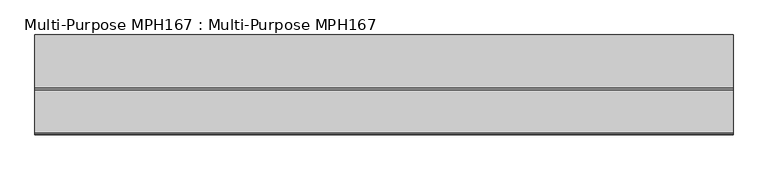
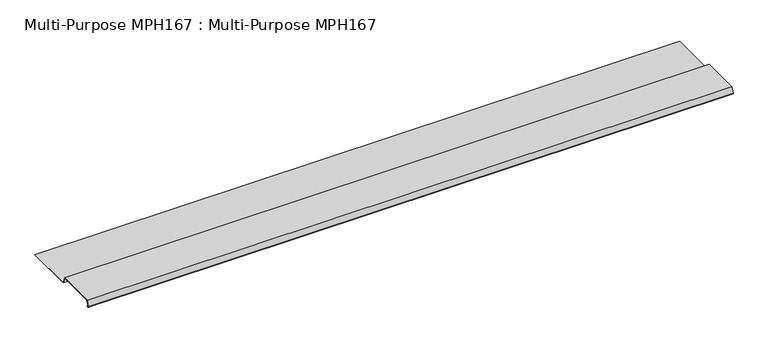
"""IFC4 building model written with IfcOpenShell, lengths in millimetres: proxy geometry, Multi-Purpose MPH167 : Multi-Purpose MPH167."""

from ifc_helpers import new_model, si_unit, point, frame, frame_2d, origin, place, context, project, spatial, polyline, circle_curve, trimmed, segment, composite_curve, outline, extrude, source, transform, mapped, element, save


def multi_purpose_mph167_multi_purpose_mph167_b23ed097(model_context):
    return source(origin(), model_context, "Body", "SweptSolid", [
        extrude(outline(composite_curve([segment(polyline([(-269.6477604, 114.72688), (-270.182075, 114.1143837), (-271.0631795, 114.8830201)]), True, "CONTINUOUS"), segment(trimmed(circle_curve(frame_2d((-272.361397, 113.3948454)), 1.97485), [point((-271.0631795, 114.8830201))], [point((-273.4511522, 115.0418021))], True, "CARTESIAN"), True, "CONTINUOUS"), segment(polyline([(-273.4511522, 115.0418021), (-276.2543835, 113.1869652)]), True, "CONTINUOUS"), segment(trimmed(circle_curve(frame_2d((-277.568397, 115.1728454)), 2.38125), [point((-276.2543835, 113.1869652))], [point((-279.8060401, 115.9872809))], False, "CARTESIAN"), True, "CONTINUOUS"), segment(polyline([(-279.8060401, 115.9872809), (-269.7089545, 143.7287954), (-85.5589545, 143.7287954), (-74.2987346, 112.7915954), (156.930353, 112.7915954), (156.930353, 111.9787954), (-74.8678633, 111.9787954), (-86.1280832, 142.9159954), (-269.1398258, 142.9159954), (-279.0422579, 115.7092869)]), True, "CONTINUOUS"), segment(trimmed(circle_curve(frame_2d((-277.568397, 115.1728454)), 1.56845), [point((-279.0422579, 115.7092869))], [point((-276.7029001, 113.8648123))], True, "CARTESIAN"), True, "CONTINUOUS"), segment(polyline([(-276.7029001, 113.8648123), (-273.8996688, 115.7196492)]), True, "CONTINUOUS"), segment(trimmed(circle_curve(frame_2d((-272.361397, 113.3948454)), 2.78765), [point((-273.8996688, 115.7196492))], [point((-270.5288649, 115.4955164))], False, "CARTESIAN"), True, "CONTINUOUS"), segment(polyline([(-270.5288649, 115.4955164), (-269.6477604, 114.72688)]), True, "CONTINUOUS")], self_intersect=False)), frame((-1102.2989423, 0.0, 0.0), z_axis=(1.0, 0.0, 0.0), x_axis=(0.0, 1.0, 0.0)), (0.0, 0.0, 1.0), 3048.0),
    ])


if __name__ == "__main__":
    model = new_model("IFC4")
    model_context = context("Model", 3, world=origin())
    ifc_project = project(units=[si_unit("LENGTHUNIT", "METRE", prefix="MILLI")], contexts=[model_context])
    site = spatial("IfcSite", under=ifc_project)
    building = spatial("IfcBuilding", under=site)
    placement = place(None, origin())
    multi_purpose_mph167_multi_purpose_mph167_shape = multi_purpose_mph167_multi_purpose_mph167_b23ed097(model_context)
    element("IfcBuildingElementProxy", 1, Name="Multi-Purpose MPH167 : Multi-Purpose MPH167", ObjectType="Multi-Purpose MPH167 : Multi-Purpose MPH167", at=placement, inside=building, context=model_context, shape_type="MappedRepresentation", body=[
        mapped(multi_purpose_mph167_multi_purpose_mph167_shape, transform((0.0, 0.0, 0.0), x_axis=(1.0, 0.0, 0.0), y_axis=(0.0, 1.0, 0.0), z_axis=(0.0, 0.0, 1.0))),
    ])
    save(model, "model.ifc")
